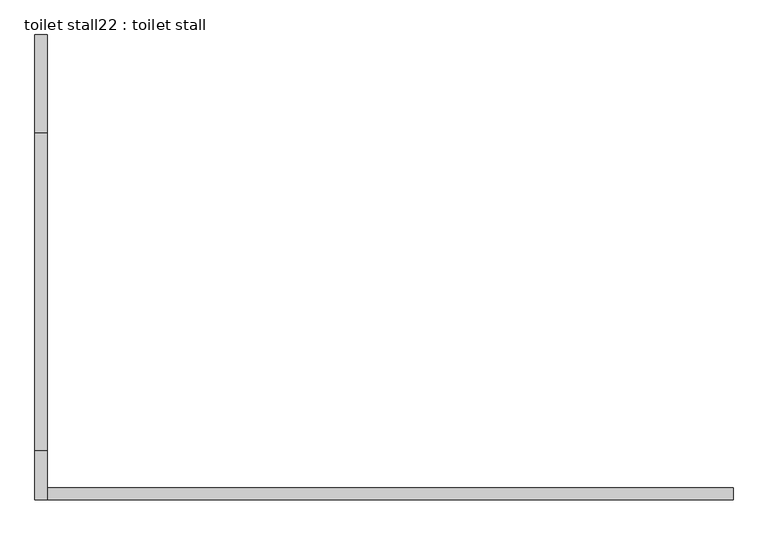
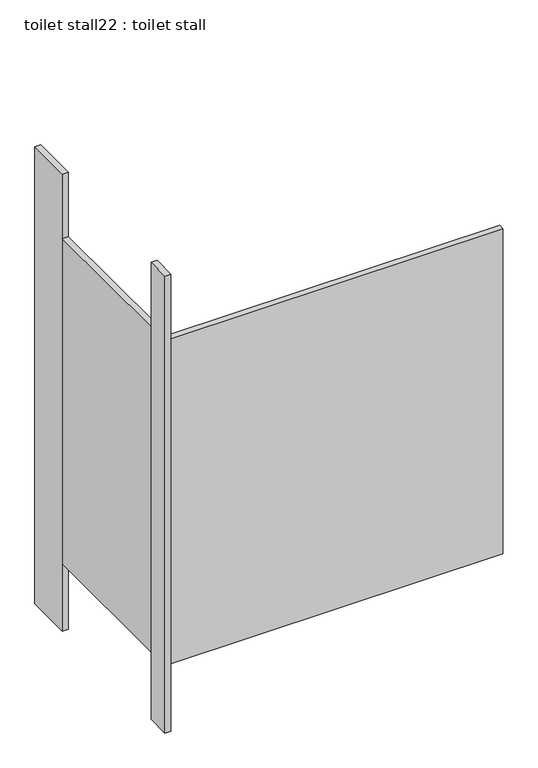
"""IFC4 building model written with IfcOpenShell, lengths in millimetres: proxy geometry, toilet stall22 : toilet stall."""

from ifc_helpers import new_model, si_unit, frame, origin, origin_with_axes, place, context, project, spatial, polyline, outline, extrude, source, transform, mapped, element, save


def toilet_stall22_toilet_stall_a41e8af7(model_context):
    return source(origin(), model_context, "Body", "SweptSolid", [
        extrude(outline(polyline([(454658.2004676, -331329.5205223), (454632.8004676, -331329.5205223), (454632.8004676, -331126.3205223), (454658.2004676, -331126.3205223), (454658.2004676, -331329.5205223)])), origin_with_axes(), (0.0, 0.0, 1.0), 2070.1),
        extrude(outline(polyline([(454658.2004676, -332091.5205223), (454632.8004676, -332091.5205223), (454632.8004676, -331989.9205223), (454658.2004676, -331989.9205223), (454658.2004676, -332091.5205223)])), origin_with_axes(), (0.0, 0.0, 1.0), 2070.1),
        extrude(outline(polyline([(454658.2004676, -332091.5205223), (454658.2004676, -332066.1205223), (456080.6004676, -332066.1205223), (456080.6004676, -332091.5205223), (454658.2004676, -332091.5205223)])), frame((0.0, 0.0, 304.8), z_axis=(0.0, 0.0, 1.0), x_axis=(1.0, 0.0, 0.0)), (0.0, 0.0, 1.0), 1473.2),
        extrude(outline(polyline([(454658.2004676, -331989.9205223), (454632.8004676, -331989.9205223), (454632.8004676, -331329.5205223), (454658.2004676, -331329.5205223), (454658.2004676, -331989.9205223)])), frame((0.0, 0.0, 304.8), z_axis=(0.0, 0.0, 1.0), x_axis=(1.0, 0.0, 0.0)), (0.0, 0.0, 1.0), 1473.2),
    ])


if __name__ == "__main__":
    model = new_model("IFC4")
    model_context = context("Model", 3, world=origin())
    ifc_project = project(units=[si_unit("LENGTHUNIT", "METRE", prefix="MILLI")], contexts=[model_context])
    site = spatial("IfcSite", under=ifc_project)
    building = spatial("IfcBuilding", under=site)
    placement = place(None, origin())
    toilet_stall22_toilet_stall_shape = toilet_stall22_toilet_stall_a41e8af7(model_context)
    element("IfcBuildingElementProxy", 1, Name="toilet stall22 : toilet stall", ObjectType="toilet stall22 : toilet stall", at=placement, inside=building, context=model_context, shape_type="MappedRepresentation", body=[
        mapped(toilet_stall22_toilet_stall_shape, transform((0.0, 0.0, 0.0), x_axis=(1.0, 0.0, 0.0), y_axis=(0.0, 1.0, 0.0), z_axis=(0.0, 0.0, 1.0))),
    ])
    save(model, "model.ifc")
